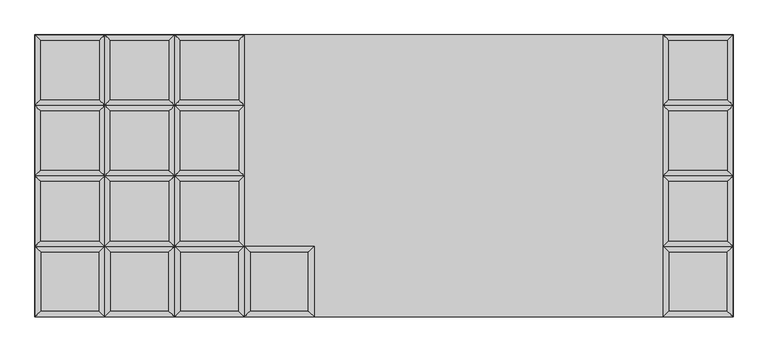
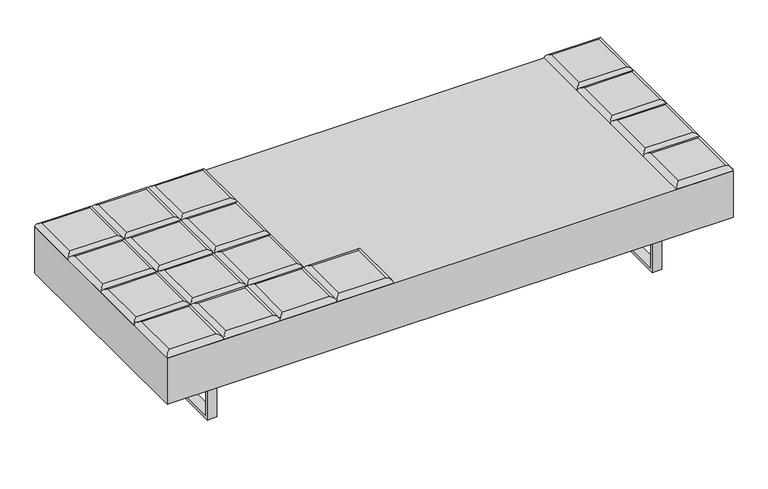
"""IFC4 building model written with IfcOpenShell, lengths in millimetres: furniture geometry."""

import ifcopenshell
import ifcopenshell.guid

model = None  # the IFC model being written
_history = None  # IfcOwnerHistory: only IFC2X3 demands one
_inside = {}  # id of a spatial element -> (the spatial element, [elements in it])
_under = {}  # id of a project, library or spatial element -> (it, [spatial elements below it])
_declared = {}  # id of a project -> (the project, [libraries it declares])
_typed = {}  # id of a type object -> (the type object, [elements of that type])
_made_of = {}  # id of a material, layer set ... -> (it, [elements and type objects made of it])


def new_model(schema):
    """Start an empty IFC model of exactly this schema.

    Asked for "IFC4X3", IfcOpenShell would pick the latest addendum, in which some entities
    have other attributes; the version numbers below select the first issue.
    IFC2X3 requires an IfcOwnerHistory on every rooted entity: one is made here for all.
    """
    global model, _history
    if schema == "IFC4X3":
        model = ifcopenshell.file(schema_version=(4, 3, 0, 0))
    else:
        model = ifcopenshell.file(schema=schema)
    _inside.clear()
    _under.clear()
    _declared.clear()
    _typed.clear()
    _made_of.clear()
    _history = None
    if model.schema == "IFC2X3":
        org = make("IfcOrganization", Name="unknown")
        user = make(
            "IfcPersonAndOrganization",
            ThePerson=make("IfcPerson", FamilyName="unknown"),
            TheOrganization=org,
        )
        app = make(
            "IfcApplication",
            ApplicationDeveloper=org,
            Version="unknown",
            ApplicationFullName="unknown",
            ApplicationIdentifier="unknown",
        )
        _history = make(
            "IfcOwnerHistory",
            OwningUser=user,
            OwningApplication=app,
            ChangeAction="ADDED",
            CreationDate=0,
        )
    return model


def make(cls, **values):
    """One entity of the class cls with the attributes given. An attribute that is None is left unset."""
    return model.create_entity(
        cls, **{name: value for name, value in values.items() if value is not None}
    )


def rooted(cls, **values):
    """An entity with a GlobalId (a new one), such as an element, a storey or a relation."""
    return make(cls, GlobalId=ifcopenshell.guid.new(), OwnerHistory=_history, **values)


def si_unit(unit_type, name, prefix=None):
    """IfcSIUnit, for example si_unit("LENGTHUNIT", "METRE", prefix="MILLI")."""
    return make("IfcSIUnit", UnitType=unit_type, Prefix=prefix, Name=name)


def assignment(units):
    """IfcUnitAssignment: the units of a project."""
    return None if units is None else make("IfcUnitAssignment", Units=units)


def point(xyz):
    """IfcCartesianPoint."""
    return None if xyz is None else make("IfcCartesianPoint", Coordinates=xyz)


def direction(xyz):
    """IfcDirection."""
    return None if xyz is None else make("IfcDirection", DirectionRatios=xyz)


def frame(location, z_axis=None, x_axis=None):
    """IfcAxis2Placement3D, a coordinate frame: its origin and axes. An axis left out is left unset."""
    return make(
        "IfcAxis2Placement3D",
        Location=point(location),
        Axis=direction(z_axis),
        RefDirection=direction(x_axis),
    )


def origin():
    """The frame at (0, 0, 0) with its axes left unset."""
    return frame((0.0, 0.0, 0.0))


def place(relative_to, where):
    """IfcLocalPlacement: puts the frame where relative to a parent placement (None: the world)."""
    return make(
        "IfcLocalPlacement", PlacementRelTo=relative_to, RelativePlacement=where
    )


def context(
    kind, dimensions, precision=None, world=None, true_north=None, identifier=None
):
    """IfcGeometricRepresentationContext, for example the 3D "Model" context."""
    return make(
        "IfcGeometricRepresentationContext",
        ContextIdentifier=identifier,
        ContextType=kind,
        CoordinateSpaceDimension=dimensions,
        Precision=precision,
        WorldCoordinateSystem=world,
        TrueNorth=true_north,
    )


def project(units=None, contexts=None):
    """IfcProject with its units and contexts."""
    return rooted(
        "IfcProject",
        Name="project",
        RepresentationContexts=contexts,
        UnitsInContext=assignment(units),
    )


def spatial(cls, under=None, at=None, **own):
    """A site, building, storey or space (cls), placed at a placement, below another one or the project."""
    s = rooted(cls, ObjectPlacement=at, **own)
    if under is not None:
        _under.setdefault(under.id(), (under, []))[1].append(s)
    return s


def polyline(points):
    """IfcPolyline through the points."""
    return make("IfcPolyline", Points=[point(p) for p in points])


def ellipse_curve(where, semi_axis1, semi_axis2):
    """IfcEllipse in the frame where."""
    return make(
        "IfcEllipse", Position=where, SemiAxis1=semi_axis1, SemiAxis2=semi_axis2
    )


def outline(outer, holes=None, kind="AREA"):
    """IfcArbitraryClosedProfileDef: a profile drawn as a closed curve; with holes, ...WithVoids."""
    if holes is None:
        return make("IfcArbitraryClosedProfileDef", ProfileType=kind, OuterCurve=outer)
    return make(
        "IfcArbitraryProfileDefWithVoids",
        ProfileType=kind,
        OuterCurve=outer,
        InnerCurves=holes,
    )


def extrude(swept, where, along, depth):
    """IfcExtrudedAreaSolid: the profile swept, set in the frame where, extruded along a direction by depth."""
    return make(
        "IfcExtrudedAreaSolid",
        SweptArea=swept,
        Position=where,
        ExtrudedDirection=direction(along),
        Depth=depth,
    )


def shape(context_of_items, identifier, shape_type, items):
    """IfcShapeRepresentation: the items that make up one representation, for example the "Body"."""
    return make(
        "IfcShapeRepresentation",
        ContextOfItems=context_of_items,
        RepresentationIdentifier=identifier,
        RepresentationType=shape_type,
        Items=items,
    )


def source(mapping_origin, context_of_items, identifier, shape_type, items):
    """IfcRepresentationMap: a shape defined once, which mapped items show again and again."""
    return make(
        "IfcRepresentationMap",
        MappingOrigin=mapping_origin,
        MappedRepresentation=shape(context_of_items, identifier, shape_type, items),
    )


def transform(
    local_origin,
    x_axis=None,
    y_axis=None,
    z_axis=None,
    scale=None,
    scale2=None,
    scale3=None,
    uniform=True,
):
    """IfcCartesianTransformationOperator3D, or its non-uniform kind. x_axis, y_axis, z_axis: its Axis1, 2, 3."""
    if uniform:
        return make(
            "IfcCartesianTransformationOperator3D",
            Axis1=direction(x_axis),
            Axis2=direction(y_axis),
            LocalOrigin=point(local_origin),
            Scale=scale,
            Axis3=direction(z_axis),
        )
    return make(
        "IfcCartesianTransformationOperator3DnonUniform",
        Axis1=direction(x_axis),
        Axis2=direction(y_axis),
        LocalOrigin=point(local_origin),
        Scale=scale,
        Axis3=direction(z_axis),
        Scale2=scale2,
        Scale3=scale3,
    )


def mapped(mapping_source, mapping_target):
    """IfcMappedItem: shows the shape of a source again, moved by a transform."""
    return make(
        "IfcMappedItem", MappingSource=mapping_source, MappingTarget=mapping_target
    )


def made_of(thing, what):
    """Note that an element or type object is made of a material, layer set ...; save() writes the relation."""
    if what is not None:
        _made_of.setdefault(what.id(), (what, []))[1].append(thing)
    return thing


def element(
    cls,
    number,
    at=None,
    inside=None,
    cuts=None,
    type_object=None,
    material=None,
    context=None,
    identifier="Body",
    shape_type=None,
    held_by="IfcProductDefinitionShape",
    body=None,
    shapes=None,
    **own,
):
    """One element of the class cls, such as IfcWall. Its Tag is "e" and its number.

    at: its placement. inside: the storey or other place that contains it. cuts: it is an
    opening in that element (IfcRelVoidsElement). A single representation is given by context,
    identifier, shape_type and body (its items); several are given by shapes. held_by: the class
    of the entity that holds the representations. save() writes the other relations.
    """
    e = rooted(cls, Tag="e%d" % number, ObjectPlacement=at, **own)
    if body is not None:
        shapes = [shape(context, identifier, shape_type, body)]
    if shapes is not None:
        e.Representation = make(held_by, Representations=shapes)
    if inside is not None:
        _inside.setdefault(inside.id(), (inside, []))[1].append(e)
    if cuts is not None:
        rooted(
            "IfcRelVoidsElement", RelatingBuildingElement=cuts, RelatedOpeningElement=e
        )
    if type_object is not None:
        _typed.setdefault(type_object.id(), (type_object, []))[1].append(e)
    return made_of(e, material)


def aggregate(whole, parts):
    """IfcRelAggregates: a whole, such as a stair, and the parts it consists of."""
    return rooted("IfcRelAggregates", RelatingObject=whole, RelatedObjects=parts)


def save(model, path):
    """Write the relations noted so far, then the file.

    IfcRelAggregates (storeys below a building ...), IfcRelContainedInSpatialStructure (elements
    in a storey), IfcRelDefinesByType, IfcRelAssociatesMaterial and IfcRelDeclares: one each for
    every whole, place, type object, material and project.
    """
    for whole, parts in _under.values():
        aggregate(whole, parts)
    for where, things in _inside.values():
        rooted(
            "IfcRelContainedInSpatialStructure",
            RelatedElements=things,
            RelatingStructure=where,
        )
    for kind, things in _typed.values():
        rooted("IfcRelDefinesByType", RelatedObjects=things, RelatingType=kind)
    for what, things in _made_of.values():
        rooted("IfcRelAssociatesMaterial", RelatedObjects=things, RelatingMaterial=what)
    for by, libraries in _declared.values():
        rooted("IfcRelDeclares", RelatingContext=by, RelatedDefinitions=libraries)
    model.write(path)


def plane_surface(at):
    """IfcPlane: the flat surface through the origin of the frame at, square to its z axis."""
    return make("IfcPlane", Position=at)


def cylinder_surface(at, radius):
    """IfcCylindricalSurface: all points at the distance radius from the z axis of the frame at."""
    return make("IfcCylindricalSurface", Position=at, Radius=radius)


def advanced_brep(points, edges, surfaces, faces):
    """IfcAdvancedBrep: a solid bounded by faces that lie on surfaces and meet in shared edges.

    An edge is (start, end): straight between two places in points (the first is 0);
    or (start, end, curve); or (start, end, curve, False) where it runs against its curve.
    A face is (place in surfaces, loops), or (place, loops, False) where it looks against
    its surface's normal. A loop lists edges by number (the first is 1), with a minus sign
    where the edge is run from its end to its start. The first loop is the outer one.
    """
    corners = [point(p) for p in points]
    vertices = [make("IfcVertexPoint", VertexGeometry=c) for c in corners]
    made = []
    for start, end, *more in edges:
        made.append(
            make(
                "IfcEdgeCurve",
                EdgeStart=vertices[start],
                EdgeEnd=vertices[end],
                EdgeGeometry=more[0] if more else make("IfcPolyline", Points=[corners[start], corners[end]]),
                SameSense=more[1] if len(more) > 1 else True,
            )
        )
    hull = []
    for where, loops, *sense in faces:
        bounds = []
        for j, loop in enumerate(loops):
            ring = [make("IfcOrientedEdge", EdgeElement=made[abs(k) - 1], Orientation=k > 0) for k in loop]
            bounds.append(
                make(
                    "IfcFaceOuterBound" if j == 0 else "IfcFaceBound",
                    Bound=make("IfcEdgeLoop", EdgeList=ring),
                    Orientation=True,
                )
            )
        hull.append(make("IfcAdvancedFace", Bounds=bounds, FaceSurface=surfaces[where], SameSense=sense[0] if sense else True))
    return make("IfcAdvancedBrep", Outer=make("IfcClosedShell", CfsFaces=hull))


def furniture_30826538(model_context):
    return source(origin(), model_context, "Body", "SolidModel", [
        advanced_brep(
        [(-219.71, -222.25, 393.7), (-237.6705122, -240.2105122, 411.6605122), (-237.6705122, -426.5394878, 411.6605122), (-219.71, -444.5, 393.7), (-421.4594878, -426.5394878, 411.6605122), (-439.42, -444.5, 393.7), (-421.4594878, -240.2105122, 411.6605122), (-439.42, -222.25, 393.7)],
        [
            (0, 1, ellipse_curve(frame((-237.6705122, -240.2105122, 393.7), z_axis=(0.7071067811865475, -0.7071067811865475, 0.0), x_axis=(0.7071067811865474, 0.7071067811865476, 0.0)), 25.4, 17.9605122)),
            (1, 2),
            (2, 3, ellipse_curve(frame((-237.6705122, -426.5394878, 393.7), z_axis=(0.7071067811865475, 0.7071067811865475, 0.0), x_axis=(-0.7071067811865474, 0.7071067811865476, 0.0)), 25.4, 17.9605122)),
            (3, 0),
            (2, 4),
            (4, 5, ellipse_curve(frame((-421.4594878, -426.5394878, 393.7), z_axis=(0.7071067811865475, -0.7071067811865475, 0.0), x_axis=(0.7071067811865476, 0.7071067811865474, 0.0)), 25.4, 17.9605122)),
            (5, 3),
            (4, 6),
            (6, 7, ellipse_curve(frame((-421.4594878, -240.2105122, 393.7), z_axis=(-0.7071067811865475, -0.7071067811865475, 0.0), x_axis=(0.7071067811865474, -0.7071067811865476, 0.0)), 25.4, 17.9605122)),
            (7, 5),
            (0, 7),
            (6, 1),
        ],
        [
            cylinder_surface(frame((-237.6705122, -222.25, 393.7), z_axis=(0.0, 1.0, 0.0), x_axis=(1.0, 0.0, 0.0)), 17.9605122),
            cylinder_surface(frame((-219.71, -426.5394878, 393.7), z_axis=(1.0, 0.0, 0.0), x_axis=(0.0, -1.0, 0.0)), 17.9605122),
            cylinder_surface(frame((-421.4594878, -444.5, 393.7), z_axis=(0.0, -1.0, 0.0), x_axis=(-1.0, 0.0, 0.0)), 17.9605122),
            cylinder_surface(frame((-439.42, -240.2105122, 393.7), z_axis=(-1.0, 0.0, 0.0), x_axis=(0.0, 1.0, 0.0)), 17.9605122),
            plane_surface(frame((-439.42, -222.25, 393.7), z_axis=(0.0, 0.0, -1.0), x_axis=(1.0, 0.0, 0.0))),
            plane_surface(frame((-421.4594878, -240.2105122, 411.6605122), z_axis=(0.0, 0.0, 1.0), x_axis=(-1.0, 0.0, 0.0))),
        ],
        [
            (0, [[1, 2, 3, 4]]),
            (1, [[-3, 5, 6, 7]]),
            (2, [[-6, 8, 9, 10]]),
            (3, [[-1, 11, -9, 12]]),
            (4, [[-4, -7, -10, -11]]),
            (5, [[-2, -12, -8, -5]]),
        ],
    ),
        advanced_brep(
        [(-457.3805122, -204.2894878, 411.6605122), (-457.3805122, -17.9605122, 411.6605122), (-641.1694878, -17.9605122, 411.6605122), (-641.1694878, -204.2894878, 411.6605122), (-439.42, 0.0, 393.7), (-439.42, -222.25, 393.7), (-659.13, -222.25, 393.7), (-659.13, 0.0, 393.7)],
        [
            (0, 1),
            (1, 2),
            (2, 3),
            (3, 0),
            (4, 5),
            (5, 6),
            (6, 7),
            (7, 4),
            (4, 1, ellipse_curve(frame((-457.3805122, -17.9605122, 393.7), z_axis=(0.7071067811865475, -0.7071067811865475, 0.0), x_axis=(0.7071067811865474, 0.7071067811865476, 0.0)), 25.4, 17.9605122)),
            (0, 5, ellipse_curve(frame((-457.3805122, -204.2894878, 393.7), z_axis=(0.7071067811865475, 0.7071067811865475, 0.0), x_axis=(-0.7071067811865474, 0.7071067811865476, 0.0)), 25.4, 17.9605122)),
            (3, 6, ellipse_curve(frame((-641.1694878, -204.2894878, 393.7), z_axis=(0.7071067811865475, -0.7071067811865475, 0.0), x_axis=(0.7071067811865476, 0.7071067811865474, 0.0)), 25.4, 17.9605122)),
            (2, 7, ellipse_curve(frame((-641.1694878, -17.9605122, 393.7), z_axis=(-0.7071067811865475, -0.7071067811865475, 0.0), x_axis=(0.7071067811865474, -0.7071067811865476, 0.0)), 25.4, 17.9605122)),
        ],
        [
            plane_surface(frame((-641.1694878, -17.9605122, 411.6605122), z_axis=(0.0, 0.0, 1.0), x_axis=(-1.0, 0.0, 0.0))),
            plane_surface(frame((-641.1694878, -17.9605122, 393.7), z_axis=(0.0, 0.0, -1.0), x_axis=(1.0, 0.0, 0.0))),
            cylinder_surface(frame((-457.3805122, 0.0, 393.7), z_axis=(0.0, 1.0, 0.0), x_axis=(1.0, 0.0, 0.0)), 17.9605122),
            cylinder_surface(frame((-439.42, -204.2894878, 393.7), z_axis=(1.0, 0.0, 0.0), x_axis=(0.0, -1.0, 0.0)), 17.9605122),
            cylinder_surface(frame((-641.1694878, -222.25, 393.7), z_axis=(0.0, -1.0, 0.0), x_axis=(-1.0, 0.0, 0.0)), 17.9605122),
            cylinder_surface(frame((-659.13, -17.9605122, 393.7), z_axis=(-1.0, 0.0, 0.0), x_axis=(0.0, 1.0, 0.0)), 17.9605122),
        ],
        [
            (0, [[1, 2, 3, 4]]),
            (1, [[5, 6, 7, 8]]),
            (2, [[9, -1, 10, -5]]),
            (3, [[-10, -4, 11, -6]]),
            (4, [[-11, -3, 12, -7]]),
            (5, [[-9, -8, -12, -2]]),
        ],
    ),
        advanced_brep(
        [(-457.3805122, 17.9605122, 411.6605122), (-457.3805122, 204.2894878, 411.6605122), (-641.1694878, 204.2894878, 411.6605122), (-641.1694878, 17.9605122, 411.6605122), (-439.42, 222.25, 393.7), (-439.42, 0.0, 393.7), (-659.13, 0.0, 393.7), (-659.13, 222.25, 393.7)],
        [
            (0, 1),
            (1, 2),
            (2, 3),
            (3, 0),
            (4, 5),
            (5, 6),
            (6, 7),
            (7, 4),
            (4, 1, ellipse_curve(frame((-457.3805122, 204.2894878, 393.7), z_axis=(0.7071067811865475, -0.7071067811865475, 0.0), x_axis=(0.7071067811865474, 0.7071067811865476, 0.0)), 25.4, 17.9605122)),
            (0, 5, ellipse_curve(frame((-457.3805122, 17.9605122, 393.7), z_axis=(0.7071067811865475, 0.7071067811865475, 0.0), x_axis=(-0.7071067811865474, 0.7071067811865476, 0.0)), 25.4, 17.9605122)),
            (3, 6, ellipse_curve(frame((-641.1694878, 17.9605122, 393.7), z_axis=(0.7071067811865475, -0.7071067811865475, 0.0), x_axis=(0.7071067811865476, 0.7071067811865474, 0.0)), 25.4, 17.9605122)),
            (2, 7, ellipse_curve(frame((-641.1694878, 204.2894878, 393.7), z_axis=(-0.7071067811865475, -0.7071067811865475, 0.0), x_axis=(0.7071067811865474, -0.7071067811865476, 0.0)), 25.4, 17.9605122)),
        ],
        [
            plane_surface(frame((-641.1694878, 204.2894878, 411.6605122), z_axis=(0.0, 0.0, 1.0), x_axis=(-1.0, 0.0, 0.0))),
            plane_surface(frame((-641.1694878, 204.2894878, 393.7), z_axis=(0.0, 0.0, -1.0), x_axis=(1.0, 0.0, 0.0))),
            cylinder_surface(frame((-457.3805122, 222.25, 393.7), z_axis=(0.0, 1.0, 0.0), x_axis=(1.0, 0.0, 0.0)), 17.9605122),
            cylinder_surface(frame((-439.42, 17.9605122, 393.7), z_axis=(1.0, 0.0, 0.0), x_axis=(0.0, -1.0, 0.0)), 17.9605122),
            cylinder_surface(frame((-641.1694878, 0.0, 393.7), z_axis=(0.0, -1.0, 0.0), x_axis=(-1.0, 0.0, 0.0)), 17.9605122),
            cylinder_surface(frame((-659.13, 204.2894878, 393.7), z_axis=(-1.0, 0.0, 0.0), x_axis=(0.0, 1.0, 0.0)), 17.9605122),
        ],
        [
            (0, [[1, 2, 3, 4]]),
            (1, [[5, 6, 7, 8]]),
            (2, [[9, -1, 10, -5]]),
            (3, [[-10, -4, 11, -6]]),
            (4, [[-11, -3, 12, -7]]),
            (5, [[-9, -8, -12, -2]]),
        ],
    ),
        advanced_brep(
        [(-457.3805122, 240.2105122, 411.6605122), (-457.3805122, 426.5394878, 411.6605122), (-641.1694878, 426.5394878, 411.6605122), (-641.1694878, 240.2105122, 411.6605122), (-439.42, 444.5, 393.7), (-439.42, 222.25, 393.7), (-659.13, 222.25, 393.7), (-659.13, 444.5, 393.7)],
        [
            (0, 1),
            (1, 2),
            (2, 3),
            (3, 0),
            (4, 5),
            (5, 6),
            (6, 7),
            (7, 4),
            (4, 1, ellipse_curve(frame((-457.3805122, 426.5394878, 393.7), z_axis=(0.7071067811865475, -0.7071067811865475, 0.0), x_axis=(0.7071067811865474, 0.7071067811865476, 0.0)), 25.4, 17.9605122)),
            (0, 5, ellipse_curve(frame((-457.3805122, 240.2105122, 393.7), z_axis=(0.7071067811865475, 0.7071067811865475, 0.0), x_axis=(-0.7071067811865474, 0.7071067811865476, 0.0)), 25.4, 17.9605122)),
            (3, 6, ellipse_curve(frame((-641.1694878, 240.2105122, 393.7), z_axis=(0.7071067811865475, -0.7071067811865475, 0.0), x_axis=(0.7071067811865476, 0.7071067811865474, 0.0)), 25.4, 17.9605122)),
            (2, 7, ellipse_curve(frame((-641.1694878, 426.5394878, 393.7), z_axis=(-0.7071067811865475, -0.7071067811865475, 0.0), x_axis=(0.7071067811865474, -0.7071067811865476, 0.0)), 25.4, 17.9605122)),
        ],
        [
            plane_surface(frame((-641.1694878, 426.5394878, 411.6605122), z_axis=(0.0, 0.0, 1.0), x_axis=(-1.0, 0.0, 0.0))),
            plane_surface(frame((-641.1694878, 426.5394878, 393.7), z_axis=(0.0, 0.0, -1.0), x_axis=(1.0, 0.0, 0.0))),
            cylinder_surface(frame((-457.3805122, 444.5, 393.7), z_axis=(0.0, 1.0, 0.0), x_axis=(1.0, 0.0, 0.0)), 17.9605122),
            cylinder_surface(frame((-439.42, 240.2105122, 393.7), z_axis=(1.0, 0.0, 0.0), x_axis=(0.0, -1.0, 0.0)), 17.9605122),
            cylinder_surface(frame((-641.1694878, 222.25, 393.7), z_axis=(0.0, -1.0, 0.0), x_axis=(-1.0, 0.0, 0.0)), 17.9605122),
            cylinder_surface(frame((-659.13, 426.5394878, 393.7), z_axis=(-1.0, 0.0, 0.0), x_axis=(0.0, 1.0, 0.0)), 17.9605122),
        ],
        [
            (0, [[1, 2, 3, 4]]),
            (1, [[5, 6, 7, 8]]),
            (2, [[9, -1, 10, -5]]),
            (3, [[-10, -4, 11, -6]]),
            (4, [[-11, -3, 12, -7]]),
            (5, [[-9, -8, -12, -2]]),
        ],
    ),
        advanced_brep(
        [(-439.42, -222.25, 393.7), (-457.3805122, -240.2105122, 411.6605122), (-457.3805122, -426.5394878, 411.6605122), (-439.42, -444.5, 393.7), (-641.1694878, -426.5394878, 411.6605122), (-659.13, -444.5, 393.7), (-641.1694878, -240.2105122, 411.6605122), (-659.13, -222.25, 393.7)],
        [
            (0, 1, ellipse_curve(frame((-457.3805122, -240.2105122, 393.7), z_axis=(0.7071067811865475, -0.7071067811865475, 0.0), x_axis=(0.7071067811865474, 0.7071067811865476, 0.0)), 25.4, 17.9605122)),
            (1, 2),
            (2, 3, ellipse_curve(frame((-457.3805122, -426.5394878, 393.7), z_axis=(0.7071067811865475, 0.7071067811865475, 0.0), x_axis=(-0.7071067811865474, 0.7071067811865476, 0.0)), 25.4, 17.9605122)),
            (3, 0),
            (2, 4),
            (4, 5, ellipse_curve(frame((-641.1694878, -426.5394878, 393.7), z_axis=(0.7071067811865475, -0.7071067811865475, 0.0), x_axis=(0.7071067811865476, 0.7071067811865474, 0.0)), 25.4, 17.9605122)),
            (5, 3),
            (4, 6),
            (6, 7, ellipse_curve(frame((-641.1694878, -240.2105122, 393.7), z_axis=(-0.7071067811865475, -0.7071067811865475, 0.0), x_axis=(0.7071067811865474, -0.7071067811865476, 0.0)), 25.4, 17.9605122)),
            (7, 5),
            (0, 7),
            (6, 1),
        ],
        [
            cylinder_surface(frame((-457.3805122, -222.25, 393.7), z_axis=(0.0, 1.0, 0.0), x_axis=(1.0, 0.0, 0.0)), 17.9605122),
            cylinder_surface(frame((-439.42, -426.5394878, 393.7), z_axis=(1.0, 0.0, 0.0), x_axis=(0.0, -1.0, 0.0)), 17.9605122),
            cylinder_surface(frame((-641.1694878, -444.5, 393.7), z_axis=(0.0, -1.0, 0.0), x_axis=(-1.0, 0.0, 0.0)), 17.9605122),
            cylinder_surface(frame((-659.13, -240.2105122, 393.7), z_axis=(-1.0, 0.0, 0.0), x_axis=(0.0, 1.0, 0.0)), 17.9605122),
            plane_surface(frame((-659.13, -222.25, 393.7), z_axis=(0.0, 0.0, -1.0), x_axis=(1.0, 0.0, 0.0))),
            plane_surface(frame((-641.1694878, -240.2105122, 411.6605122), z_axis=(0.0, 0.0, 1.0), x_axis=(-1.0, 0.0, 0.0))),
        ],
        [
            (0, [[1, 2, 3, 4]]),
            (1, [[-3, 5, 6, 7]]),
            (2, [[-6, 8, 9, 10]]),
            (3, [[-1, 11, -9, 12]]),
            (4, [[-4, -7, -10, -11]]),
            (5, [[-2, -12, -8, -5]]),
        ],
    ),
        advanced_brep(
        [(-677.0905122, -204.2894878, 411.6605122), (-677.0905122, -17.9605122, 411.6605122), (-860.8794878, -17.9605122, 411.6605122), (-860.8794878, -204.2894878, 411.6605122), (-659.13, 0.0, 393.7), (-659.13, -222.25, 393.7), (-878.84, -222.25, 393.7), (-878.84, 0.0, 393.7)],
        [
            (0, 1),
            (1, 2),
            (2, 3),
            (3, 0),
            (4, 5),
            (5, 6),
            (6, 7),
            (7, 4),
            (4, 1, ellipse_curve(frame((-677.0905122, -17.9605122, 393.7), z_axis=(0.7071067811865475, -0.7071067811865475, 0.0), x_axis=(0.7071067811865474, 0.7071067811865476, 0.0)), 25.4, 17.9605122)),
            (0, 5, ellipse_curve(frame((-677.0905122, -204.2894878, 393.7), z_axis=(0.7071067811865475, 0.7071067811865475, 0.0), x_axis=(-0.7071067811865474, 0.7071067811865476, 0.0)), 25.4, 17.9605122)),
            (3, 6, ellipse_curve(frame((-860.8794878, -204.2894878, 393.7), z_axis=(0.7071067811865475, -0.7071067811865475, 0.0), x_axis=(0.7071067811865476, 0.7071067811865474, 0.0)), 25.4, 17.9605122)),
            (2, 7, ellipse_curve(frame((-860.8794878, -17.9605122, 393.7), z_axis=(-0.7071067811865475, -0.7071067811865475, 0.0), x_axis=(0.7071067811865474, -0.7071067811865476, 0.0)), 25.4, 17.9605122)),
        ],
        [
            plane_surface(frame((-860.8794878, -17.9605122, 411.6605122), z_axis=(0.0, 0.0, 1.0), x_axis=(-1.0, 0.0, 0.0))),
            plane_surface(frame((-860.8794878, -17.9605122, 393.7), z_axis=(0.0, 0.0, -1.0), x_axis=(1.0, 0.0, 0.0))),
            cylinder_surface(frame((-677.0905122, 0.0, 393.7), z_axis=(0.0, 1.0, 0.0), x_axis=(1.0, 0.0, 0.0)), 17.9605122),
            cylinder_surface(frame((-659.13, -204.2894878, 393.7), z_axis=(1.0, 0.0, 0.0), x_axis=(0.0, -1.0, 0.0)), 17.9605122),
            cylinder_surface(frame((-860.8794878, -222.25, 393.7), z_axis=(0.0, -1.0, 0.0), x_axis=(-1.0, 0.0, 0.0)), 17.9605122),
            cylinder_surface(frame((-878.84, -17.9605122, 393.7), z_axis=(-1.0, 0.0, 0.0), x_axis=(0.0, 1.0, 0.0)), 17.9605122),
        ],
        [
            (0, [[1, 2, 3, 4]]),
            (1, [[5, 6, 7, 8]]),
            (2, [[9, -1, 10, -5]]),
            (3, [[-10, -4, 11, -6]]),
            (4, [[-11, -3, 12, -7]]),
            (5, [[-9, -8, -12, -2]]),
        ],
    ),
        advanced_brep(
        [(-677.0905122, 17.9605122, 411.6605122), (-677.0905122, 204.2894878, 411.6605122), (-860.8794878, 204.2894878, 411.6605122), (-860.8794878, 17.9605122, 411.6605122), (-659.13, 222.25, 393.7), (-659.13, 0.0, 393.7), (-878.84, 0.0, 393.7), (-878.84, 222.25, 393.7)],
        [
            (0, 1),
            (1, 2),
            (2, 3),
            (3, 0),
            (4, 5),
            (5, 6),
            (6, 7),
            (7, 4),
            (4, 1, ellipse_curve(frame((-677.0905122, 204.2894878, 393.7), z_axis=(0.7071067811865475, -0.7071067811865475, 0.0), x_axis=(0.7071067811865474, 0.7071067811865476, 0.0)), 25.4, 17.9605122)),
            (0, 5, ellipse_curve(frame((-677.0905122, 17.9605122, 393.7), z_axis=(0.7071067811865475, 0.7071067811865475, 0.0), x_axis=(-0.7071067811865474, 0.7071067811865476, 0.0)), 25.4, 17.9605122)),
            (3, 6, ellipse_curve(frame((-860.8794878, 17.9605122, 393.7), z_axis=(0.7071067811865475, -0.7071067811865475, 0.0), x_axis=(0.7071067811865476, 0.7071067811865474, 0.0)), 25.4, 17.9605122)),
            (2, 7, ellipse_curve(frame((-860.8794878, 204.2894878, 393.7), z_axis=(-0.7071067811865475, -0.7071067811865475, 0.0), x_axis=(0.7071067811865474, -0.7071067811865476, 0.0)), 25.4, 17.9605122)),
        ],
        [
            plane_surface(frame((-860.8794878, 204.2894878, 411.6605122), z_axis=(0.0, 0.0, 1.0), x_axis=(-1.0, 0.0, 0.0))),
            plane_surface(frame((-860.8794878, 204.2894878, 393.7), z_axis=(0.0, 0.0, -1.0), x_axis=(1.0, 0.0, 0.0))),
            cylinder_surface(frame((-677.0905122, 222.25, 393.7), z_axis=(0.0, 1.0, 0.0), x_axis=(1.0, 0.0, 0.0)), 17.9605122),
            cylinder_surface(frame((-659.13, 17.9605122, 393.7), z_axis=(1.0, 0.0, 0.0), x_axis=(0.0, -1.0, 0.0)), 17.9605122),
            cylinder_surface(frame((-860.8794878, 0.0, 393.7), z_axis=(0.0, -1.0, 0.0), x_axis=(-1.0, 0.0, 0.0)), 17.9605122),
            cylinder_surface(frame((-878.84, 204.2894878, 393.7), z_axis=(-1.0, 0.0, 0.0), x_axis=(0.0, 1.0, 0.0)), 17.9605122),
        ],
        [
            (0, [[1, 2, 3, 4]]),
            (1, [[5, 6, 7, 8]]),
            (2, [[9, -1, 10, -5]]),
            (3, [[-10, -4, 11, -6]]),
            (4, [[-11, -3, 12, -7]]),
            (5, [[-9, -8, -12, -2]]),
        ],
    ),
        advanced_brep(
        [(-677.0905122, 240.2105122, 411.6605122), (-677.0905122, 426.5394878, 411.6605122), (-860.8794878, 426.5394878, 411.6605122), (-860.8794878, 240.2105122, 411.6605122), (-659.13, 444.5, 393.7), (-659.13, 222.25, 393.7), (-878.84, 222.25, 393.7), (-878.84, 444.5, 393.7)],
        [
            (0, 1),
            (1, 2),
            (2, 3),
            (3, 0),
            (4, 5),
            (5, 6),
            (6, 7),
            (7, 4),
            (4, 1, ellipse_curve(frame((-677.0905122, 426.5394878, 393.7), z_axis=(0.7071067811865475, -0.7071067811865475, 0.0), x_axis=(0.7071067811865474, 0.7071067811865476, 0.0)), 25.4, 17.9605122)),
            (0, 5, ellipse_curve(frame((-677.0905122, 240.2105122, 393.7), z_axis=(0.7071067811865475, 0.7071067811865475, 0.0), x_axis=(-0.7071067811865474, 0.7071067811865476, 0.0)), 25.4, 17.9605122)),
            (3, 6, ellipse_curve(frame((-860.8794878, 240.2105122, 393.7), z_axis=(0.7071067811865475, -0.7071067811865475, 0.0), x_axis=(0.7071067811865476, 0.7071067811865474, 0.0)), 25.4, 17.9605122)),
            (2, 7, ellipse_curve(frame((-860.8794878, 426.5394878, 393.7), z_axis=(-0.7071067811865475, -0.7071067811865475, 0.0), x_axis=(0.7071067811865474, -0.7071067811865476, 0.0)), 25.4, 17.9605122)),
        ],
        [
            plane_surface(frame((-860.8794878, 426.5394878, 411.6605122), z_axis=(0.0, 0.0, 1.0), x_axis=(-1.0, 0.0, 0.0))),
            plane_surface(frame((-860.8794878, 426.5394878, 393.7), z_axis=(0.0, 0.0, -1.0), x_axis=(1.0, 0.0, 0.0))),
            cylinder_surface(frame((-677.0905122, 444.5, 393.7), z_axis=(0.0, 1.0, 0.0), x_axis=(1.0, 0.0, 0.0)), 17.9605122),
            cylinder_surface(frame((-659.13, 240.2105122, 393.7), z_axis=(1.0, 0.0, 0.0), x_axis=(0.0, -1.0, 0.0)), 17.9605122),
            cylinder_surface(frame((-860.8794878, 222.25, 393.7), z_axis=(0.0, -1.0, 0.0), x_axis=(-1.0, 0.0, 0.0)), 17.9605122),
            cylinder_surface(frame((-878.84, 426.5394878, 393.7), z_axis=(-1.0, 0.0, 0.0), x_axis=(0.0, 1.0, 0.0)), 17.9605122),
        ],
        [
            (0, [[1, 2, 3, 4]]),
            (1, [[5, 6, 7, 8]]),
            (2, [[9, -1, 10, -5]]),
            (3, [[-10, -4, 11, -6]]),
            (4, [[-11, -3, 12, -7]]),
            (5, [[-9, -8, -12, -2]]),
        ],
    ),
        advanced_brep(
        [(-659.13, -222.25, 393.7), (-677.0905122, -240.2105122, 411.6605122), (-677.0905122, -426.5394878, 411.6605122), (-659.13, -444.5, 393.7), (-860.8794878, -426.5394878, 411.6605122), (-878.84, -444.5, 393.7), (-860.8794878, -240.2105122, 411.6605122), (-878.84, -222.25, 393.7)],
        [
            (0, 1, ellipse_curve(frame((-677.0905122, -240.2105122, 393.7), z_axis=(0.7071067811865475, -0.7071067811865475, 0.0), x_axis=(0.7071067811865474, 0.7071067811865476, 0.0)), 25.4, 17.9605122)),
            (1, 2),
            (2, 3, ellipse_curve(frame((-677.0905122, -426.5394878, 393.7), z_axis=(0.7071067811865475, 0.7071067811865475, 0.0), x_axis=(-0.7071067811865474, 0.7071067811865476, 0.0)), 25.4, 17.9605122)),
            (3, 0),
            (2, 4),
            (4, 5, ellipse_curve(frame((-860.8794878, -426.5394878, 393.7), z_axis=(0.7071067811865475, -0.7071067811865475, 0.0), x_axis=(0.7071067811865476, 0.7071067811865474, 0.0)), 25.4, 17.9605122)),
            (5, 3),
            (4, 6),
            (6, 7, ellipse_curve(frame((-860.8794878, -240.2105122, 393.7), z_axis=(-0.7071067811865475, -0.7071067811865475, 0.0), x_axis=(0.7071067811865474, -0.7071067811865476, 0.0)), 25.4, 17.9605122)),
            (7, 5),
            (0, 7),
            (6, 1),
        ],
        [
            cylinder_surface(frame((-677.0905122, -222.25, 393.7), z_axis=(0.0, 1.0, 0.0), x_axis=(1.0, 0.0, 0.0)), 17.9605122),
            cylinder_surface(frame((-659.13, -426.5394878, 393.7), z_axis=(1.0, 0.0, 0.0), x_axis=(0.0, -1.0, 0.0)), 17.9605122),
            cylinder_surface(frame((-860.8794878, -444.5, 393.7), z_axis=(0.0, -1.0, 0.0), x_axis=(-1.0, 0.0, 0.0)), 17.9605122),
            cylinder_surface(frame((-878.84, -240.2105122, 393.7), z_axis=(-1.0, 0.0, 0.0), x_axis=(0.0, 1.0, 0.0)), 17.9605122),
            plane_surface(frame((-878.84, -222.25, 393.7), z_axis=(0.0, 0.0, -1.0), x_axis=(1.0, 0.0, 0.0))),
            plane_surface(frame((-860.8794878, -240.2105122, 411.6605122), z_axis=(0.0, 0.0, 1.0), x_axis=(-1.0, 0.0, 0.0))),
        ],
        [
            (0, [[1, 2, 3, 4]]),
            (1, [[-3, 5, 6, 7]]),
            (2, [[-6, 8, 9, 10]]),
            (3, [[-1, 11, -9, 12]]),
            (4, [[-4, -7, -10, -11]]),
            (5, [[-2, -12, -8, -5]]),
        ],
    ),
        advanced_brep(
        [(1080.5894878, -204.2894878, 411.6605122), (1080.5894878, -17.9605122, 411.6605122), (896.8005122, -17.9605122, 411.6605122), (896.8005122, -204.2894878, 411.6605122), (1098.55, 0.0, 393.7), (1098.55, -222.25, 393.7), (878.84, -222.25, 393.7), (878.84, 0.0, 393.7)],
        [
            (0, 1),
            (1, 2),
            (2, 3),
            (3, 0),
            (4, 5),
            (5, 6),
            (6, 7),
            (7, 4),
            (4, 1, ellipse_curve(frame((1080.5894878, -17.9605122, 393.7), z_axis=(0.7071067811865475, -0.7071067811865475, 0.0), x_axis=(0.7071067811865474, 0.7071067811865476, 0.0)), 25.4, 17.9605122)),
            (0, 5, ellipse_curve(frame((1080.5894878, -204.2894878, 393.7), z_axis=(0.7071067811865475, 0.7071067811865475, 0.0), x_axis=(-0.7071067811865474, 0.7071067811865476, 0.0)), 25.4, 17.9605122)),
            (3, 6, ellipse_curve(frame((896.8005122, -204.2894878, 393.7), z_axis=(0.7071067811865475, -0.7071067811865475, 0.0), x_axis=(0.7071067811865476, 0.7071067811865474, 0.0)), 25.4, 17.9605122)),
            (2, 7, ellipse_curve(frame((896.8005122, -17.9605122, 393.7), z_axis=(-0.7071067811865475, -0.7071067811865475, 0.0), x_axis=(0.7071067811865474, -0.7071067811865476, 0.0)), 25.4, 17.9605122)),
        ],
        [
            plane_surface(frame((896.8005122, -17.9605122, 411.6605122), z_axis=(0.0, 0.0, 1.0), x_axis=(-1.0, 0.0, 0.0))),
            plane_surface(frame((896.8005122, -17.9605122, 393.7), z_axis=(0.0, 0.0, -1.0), x_axis=(1.0, 0.0, 0.0))),
            cylinder_surface(frame((1080.5894878, 0.0, 393.7), z_axis=(0.0, 1.0, 0.0), x_axis=(1.0, 0.0, 0.0)), 17.9605122),
            cylinder_surface(frame((1098.55, -204.2894878, 393.7), z_axis=(1.0, 0.0, 0.0), x_axis=(0.0, -1.0, 0.0)), 17.9605122),
            cylinder_surface(frame((896.8005122, -222.25, 393.7), z_axis=(0.0, -1.0, 0.0), x_axis=(-1.0, 0.0, 0.0)), 17.9605122),
            cylinder_surface(frame((878.84, -17.9605122, 393.7), z_axis=(-1.0, 0.0, 0.0), x_axis=(0.0, 1.0, 0.0)), 17.9605122),
        ],
        [
            (0, [[1, 2, 3, 4]]),
            (1, [[5, 6, 7, 8]]),
            (2, [[9, -1, 10, -5]]),
            (3, [[-10, -4, 11, -6]]),
            (4, [[-11, -3, 12, -7]]),
            (5, [[-9, -8, -12, -2]]),
        ],
    ),
        advanced_brep(
        [(1080.5894878, 17.9605122, 411.6605122), (1080.5894878, 204.2894878, 411.6605122), (896.8005122, 204.2894878, 411.6605122), (896.8005122, 17.9605122, 411.6605122), (1098.55, 222.25, 393.7), (1098.55, 0.0, 393.7), (878.84, 0.0, 393.7), (878.84, 222.25, 393.7)],
        [
            (0, 1),
            (1, 2),
            (2, 3),
            (3, 0),
            (4, 5),
            (5, 6),
            (6, 7),
            (7, 4),
            (4, 1, ellipse_curve(frame((1080.5894878, 204.2894878, 393.7), z_axis=(0.7071067811865475, -0.7071067811865475, 0.0), x_axis=(0.7071067811865474, 0.7071067811865476, 0.0)), 25.4, 17.9605122)),
            (0, 5, ellipse_curve(frame((1080.5894878, 17.9605122, 393.7), z_axis=(0.7071067811865475, 0.7071067811865475, 0.0), x_axis=(-0.7071067811865474, 0.7071067811865476, 0.0)), 25.4, 17.9605122)),
            (3, 6, ellipse_curve(frame((896.8005122, 17.9605122, 393.7), z_axis=(0.7071067811865475, -0.7071067811865475, 0.0), x_axis=(0.7071067811865476, 0.7071067811865474, 0.0)), 25.4, 17.9605122)),
            (2, 7, ellipse_curve(frame((896.8005122, 204.2894878, 393.7), z_axis=(-0.7071067811865475, -0.7071067811865475, 0.0), x_axis=(0.7071067811865474, -0.7071067811865476, 0.0)), 25.4, 17.9605122)),
        ],
        [
            plane_surface(frame((896.8005122, 204.2894878, 411.6605122), z_axis=(0.0, 0.0, 1.0), x_axis=(-1.0, 0.0, 0.0))),
            plane_surface(frame((896.8005122, 204.2894878, 393.7), z_axis=(0.0, 0.0, -1.0), x_axis=(1.0, 0.0, 0.0))),
            cylinder_surface(frame((1080.5894878, 222.25, 393.7), z_axis=(0.0, 1.0, 0.0), x_axis=(1.0, 0.0, 0.0)), 17.9605122),
            cylinder_surface(frame((1098.55, 17.9605122, 393.7), z_axis=(1.0, 0.0, 0.0), x_axis=(0.0, -1.0, 0.0)), 17.9605122),
            cylinder_surface(frame((896.8005122, 0.0, 393.7), z_axis=(0.0, -1.0, 0.0), x_axis=(-1.0, 0.0, 0.0)), 17.9605122),
            cylinder_surface(frame((878.84, 204.2894878, 393.7), z_axis=(-1.0, 0.0, 0.0), x_axis=(0.0, 1.0, 0.0)), 17.9605122),
        ],
        [
            (0, [[1, 2, 3, 4]]),
            (1, [[5, 6, 7, 8]]),
            (2, [[9, -1, 10, -5]]),
            (3, [[-10, -4, 11, -6]]),
            (4, [[-11, -3, 12, -7]]),
            (5, [[-9, -8, -12, -2]]),
        ],
    ),
        advanced_brep(
        [(1080.5894878, 240.2105122, 411.6605122), (1080.5894878, 426.5394878, 411.6605122), (896.8005122, 426.5394878, 411.6605122), (896.8005122, 240.2105122, 411.6605122), (1098.55, 444.5, 393.7), (1098.55, 222.25, 393.7), (878.84, 222.25, 393.7), (878.84, 444.5, 393.7)],
        [
            (0, 1),
            (1, 2),
            (2, 3),
            (3, 0),
            (4, 5),
            (5, 6),
            (6, 7),
            (7, 4),
            (4, 1, ellipse_curve(frame((1080.5894878, 426.5394878, 393.7), z_axis=(0.7071067811865475, -0.7071067811865475, 0.0), x_axis=(0.7071067811865474, 0.7071067811865476, 0.0)), 25.4, 17.9605122)),
            (0, 5, ellipse_curve(frame((1080.5894878, 240.2105122, 393.7), z_axis=(0.7071067811865475, 0.7071067811865475, 0.0), x_axis=(-0.7071067811865474, 0.7071067811865476, 0.0)), 25.4, 17.9605122)),
            (3, 6, ellipse_curve(frame((896.8005122, 240.2105122, 393.7), z_axis=(0.7071067811865475, -0.7071067811865475, 0.0), x_axis=(0.7071067811865476, 0.7071067811865474, 0.0)), 25.4, 17.9605122)),
            (2, 7, ellipse_curve(frame((896.8005122, 426.5394878, 393.7), z_axis=(-0.7071067811865475, -0.7071067811865475, 0.0), x_axis=(0.7071067811865474, -0.7071067811865476, 0.0)), 25.4, 17.9605122)),
        ],
        [
            plane_surface(frame((896.8005122, 426.5394878, 411.6605122), z_axis=(0.0, 0.0, 1.0), x_axis=(-1.0, 0.0, 0.0))),
            plane_surface(frame((896.8005122, 426.5394878, 393.7), z_axis=(0.0, 0.0, -1.0), x_axis=(1.0, 0.0, 0.0))),
            cylinder_surface(frame((1080.5894878, 444.5, 393.7), z_axis=(0.0, 1.0, 0.0), x_axis=(1.0, 0.0, 0.0)), 17.9605122),
            cylinder_surface(frame((1098.55, 240.2105122, 393.7), z_axis=(1.0, 0.0, 0.0), x_axis=(0.0, -1.0, 0.0)), 17.9605122),
            cylinder_surface(frame((896.8005122, 222.25, 393.7), z_axis=(0.0, -1.0, 0.0), x_axis=(-1.0, 0.0, 0.0)), 17.9605122),
            cylinder_surface(frame((878.84, 426.5394878, 393.7), z_axis=(-1.0, 0.0, 0.0), x_axis=(0.0, 1.0, 0.0)), 17.9605122),
        ],
        [
            (0, [[1, 2, 3, 4]]),
            (1, [[5, 6, 7, 8]]),
            (2, [[9, -1, 10, -5]]),
            (3, [[-10, -4, 11, -6]]),
            (4, [[-11, -3, 12, -7]]),
            (5, [[-9, -8, -12, -2]]),
        ],
    ),
        advanced_brep(
        [(1098.55, -222.25, 393.7), (1080.5894878, -240.2105122, 411.6605122), (1080.5894878, -426.5394878, 411.6605122), (1098.55, -444.5, 393.7), (896.8005122, -426.5394878, 411.6605122), (878.84, -444.5, 393.7), (896.8005122, -240.2105122, 411.6605122), (878.84, -222.25, 393.7)],
        [
            (0, 1, ellipse_curve(frame((1080.5894878, -240.2105122, 393.7), z_axis=(0.7071067811865475, -0.7071067811865475, 0.0), x_axis=(0.7071067811865474, 0.7071067811865476, 0.0)), 25.4, 17.9605122)),
            (1, 2),
            (2, 3, ellipse_curve(frame((1080.5894878, -426.5394878, 393.7), z_axis=(0.7071067811865475, 0.7071067811865475, 0.0), x_axis=(-0.7071067811865474, 0.7071067811865476, 0.0)), 25.4, 17.9605122)),
            (3, 0),
            (2, 4),
            (4, 5, ellipse_curve(frame((896.8005122, -426.5394878, 393.7), z_axis=(0.7071067811865475, -0.7071067811865475, 0.0), x_axis=(0.7071067811865476, 0.7071067811865474, 0.0)), 25.4, 17.9605122)),
            (5, 3),
            (4, 6),
            (6, 7, ellipse_curve(frame((896.8005122, -240.2105122, 393.7), z_axis=(-0.7071067811865475, -0.7071067811865475, 0.0), x_axis=(0.7071067811865474, -0.7071067811865476, 0.0)), 25.4, 17.9605122)),
            (7, 5),
            (0, 7),
            (6, 1),
        ],
        [
            cylinder_surface(frame((1080.5894878, -222.25, 393.7), z_axis=(0.0, 1.0, 0.0), x_axis=(1.0, 0.0, 0.0)), 17.9605122),
            cylinder_surface(frame((1098.55, -426.5394878, 393.7), z_axis=(1.0, 0.0, 0.0), x_axis=(0.0, -1.0, 0.0)), 17.9605122),
            cylinder_surface(frame((896.8005122, -444.5, 393.7), z_axis=(0.0, -1.0, 0.0), x_axis=(-1.0, 0.0, 0.0)), 17.9605122),
            cylinder_surface(frame((878.84, -240.2105122, 393.7), z_axis=(-1.0, 0.0, 0.0), x_axis=(0.0, 1.0, 0.0)), 17.9605122),
            plane_surface(frame((878.84, -222.25, 393.7), z_axis=(0.0, 0.0, -1.0), x_axis=(1.0, 0.0, 0.0))),
            plane_surface(frame((896.8005122, -240.2105122, 411.6605122), z_axis=(0.0, 0.0, 1.0), x_axis=(-1.0, 0.0, 0.0))),
        ],
        [
            (0, [[1, 2, 3, 4]]),
            (1, [[-3, 5, 6, 7]]),
            (2, [[-6, 8, 9, 10]]),
            (3, [[-1, 11, -9, 12]]),
            (4, [[-4, -7, -10, -11]]),
            (5, [[-2, -12, -8, -5]]),
        ],
    ),
        advanced_brep(
        [(-896.8005122, -204.2894878, 411.6605122), (-896.8005122, -17.9605122, 411.6605122), (-1080.5894878, -17.9605122, 411.6605122), (-1080.5894878, -204.2894878, 411.6605122), (-878.84, 0.0, 393.7), (-878.84, -222.25, 393.7), (-1098.55, -222.25, 393.7), (-1098.55, 0.0, 393.7)],
        [
            (0, 1),
            (1, 2),
            (2, 3),
            (3, 0),
            (4, 5),
            (5, 6),
            (6, 7),
            (7, 4),
            (4, 1, ellipse_curve(frame((-896.8005122, -17.9605122, 393.7), z_axis=(0.7071067811865475, -0.7071067811865475, 0.0), x_axis=(0.7071067811865474, 0.7071067811865476, 0.0)), 25.4, 17.9605122)),
            (0, 5, ellipse_curve(frame((-896.8005122, -204.2894878, 393.7), z_axis=(0.7071067811865475, 0.7071067811865475, 0.0), x_axis=(-0.7071067811865474, 0.7071067811865476, 0.0)), 25.4, 17.9605122)),
            (3, 6, ellipse_curve(frame((-1080.5894878, -204.2894878, 393.7), z_axis=(0.7071067811865475, -0.7071067811865475, 0.0), x_axis=(0.7071067811865476, 0.7071067811865474, 0.0)), 25.4, 17.9605122)),
            (2, 7, ellipse_curve(frame((-1080.5894878, -17.9605122, 393.7), z_axis=(-0.7071067811865475, -0.7071067811865475, 0.0), x_axis=(0.7071067811865474, -0.7071067811865476, 0.0)), 25.4, 17.9605122)),
        ],
        [
            plane_surface(frame((-1080.5894878, -17.9605122, 411.6605122), z_axis=(0.0, 0.0, 1.0), x_axis=(-1.0, 0.0, 0.0))),
            plane_surface(frame((-1080.5894878, -17.9605122, 393.7), z_axis=(0.0, 0.0, -1.0), x_axis=(1.0, 0.0, 0.0))),
            cylinder_surface(frame((-896.8005122, 0.0, 393.7), z_axis=(0.0, 1.0, 0.0), x_axis=(1.0, 0.0, 0.0)), 17.9605122),
            cylinder_surface(frame((-878.84, -204.2894878, 393.7), z_axis=(1.0, 0.0, 0.0), x_axis=(0.0, -1.0, 0.0)), 17.9605122),
            cylinder_surface(frame((-1080.5894878, -222.25, 393.7), z_axis=(0.0, -1.0, 0.0), x_axis=(-1.0, 0.0, 0.0)), 17.9605122),
            cylinder_surface(frame((-1098.55, -17.9605122, 393.7), z_axis=(-1.0, 0.0, 0.0), x_axis=(0.0, 1.0, 0.0)), 17.9605122),
        ],
        [
            (0, [[1, 2, 3, 4]]),
            (1, [[5, 6, 7, 8]]),
            (2, [[9, -1, 10, -5]]),
            (3, [[-10, -4, 11, -6]]),
            (4, [[-11, -3, 12, -7]]),
            (5, [[-9, -8, -12, -2]]),
        ],
    ),
        advanced_brep(
        [(-896.8005122, 17.9605122, 411.6605122), (-896.8005122, 204.2894878, 411.6605122), (-1080.5894878, 204.2894878, 411.6605122), (-1080.5894878, 17.9605122, 411.6605122), (-878.84, 222.25, 393.7), (-878.84, 0.0, 393.7), (-1098.55, 0.0, 393.7), (-1098.55, 222.25, 393.7)],
        [
            (0, 1),
            (1, 2),
            (2, 3),
            (3, 0),
            (4, 5),
            (5, 6),
            (6, 7),
            (7, 4),
            (4, 1, ellipse_curve(frame((-896.8005122, 204.2894878, 393.7), z_axis=(0.7071067811865475, -0.7071067811865475, 0.0), x_axis=(0.7071067811865474, 0.7071067811865476, 0.0)), 25.4, 17.9605122)),
            (0, 5, ellipse_curve(frame((-896.8005122, 17.9605122, 393.7), z_axis=(0.7071067811865475, 0.7071067811865475, 0.0), x_axis=(-0.7071067811865474, 0.7071067811865476, 0.0)), 25.4, 17.9605122)),
            (3, 6, ellipse_curve(frame((-1080.5894878, 17.9605122, 393.7), z_axis=(0.7071067811865475, -0.7071067811865475, 0.0), x_axis=(0.7071067811865476, 0.7071067811865474, 0.0)), 25.4, 17.9605122)),
            (2, 7, ellipse_curve(frame((-1080.5894878, 204.2894878, 393.7), z_axis=(-0.7071067811865475, -0.7071067811865475, 0.0), x_axis=(0.7071067811865474, -0.7071067811865476, 0.0)), 25.4, 17.9605122)),
        ],
        [
            plane_surface(frame((-1080.5894878, 204.2894878, 411.6605122), z_axis=(0.0, 0.0, 1.0), x_axis=(-1.0, 0.0, 0.0))),
            plane_surface(frame((-1080.5894878, 204.2894878, 393.7), z_axis=(0.0, 0.0, -1.0), x_axis=(1.0, 0.0, 0.0))),
            cylinder_surface(frame((-896.8005122, 222.25, 393.7), z_axis=(0.0, 1.0, 0.0), x_axis=(1.0, 0.0, 0.0)), 17.9605122),
            cylinder_surface(frame((-878.84, 17.9605122, 393.7), z_axis=(1.0, 0.0, 0.0), x_axis=(0.0, -1.0, 0.0)), 17.9605122),
            cylinder_surface(frame((-1080.5894878, 0.0, 393.7), z_axis=(0.0, -1.0, 0.0), x_axis=(-1.0, 0.0, 0.0)), 17.9605122),
            cylinder_surface(frame((-1098.55, 204.2894878, 393.7), z_axis=(-1.0, 0.0, 0.0), x_axis=(0.0, 1.0, 0.0)), 17.9605122),
        ],
        [
            (0, [[1, 2, 3, 4]]),
            (1, [[5, 6, 7, 8]]),
            (2, [[9, -1, 10, -5]]),
            (3, [[-10, -4, 11, -6]]),
            (4, [[-11, -3, 12, -7]]),
            (5, [[-9, -8, -12, -2]]),
        ],
    ),
        advanced_brep(
        [(-896.8005122, 240.2105122, 411.6605122), (-896.8005122, 426.5394878, 411.6605122), (-1080.5894878, 426.5394878, 411.6605122), (-1080.5894878, 240.2105122, 411.6605122), (-878.84, 444.5, 393.7), (-878.84, 222.25, 393.7), (-1098.55, 222.25, 393.7), (-1098.55, 444.5, 393.7)],
        [
            (0, 1),
            (1, 2),
            (2, 3),
            (3, 0),
            (4, 5),
            (5, 6),
            (6, 7),
            (7, 4),
            (4, 1, ellipse_curve(frame((-896.8005122, 426.5394878, 393.7), z_axis=(0.7071067811865475, -0.7071067811865475, 0.0), x_axis=(0.7071067811865474, 0.7071067811865476, 0.0)), 25.4, 17.9605122)),
            (0, 5, ellipse_curve(frame((-896.8005122, 240.2105122, 393.7), z_axis=(0.7071067811865475, 0.7071067811865475, 0.0), x_axis=(-0.7071067811865474, 0.7071067811865476, 0.0)), 25.4, 17.9605122)),
            (3, 6, ellipse_curve(frame((-1080.5894878, 240.2105122, 393.7), z_axis=(0.7071067811865475, -0.7071067811865475, 0.0), x_axis=(0.7071067811865476, 0.7071067811865474, 0.0)), 25.4, 17.9605122)),
            (2, 7, ellipse_curve(frame((-1080.5894878, 426.5394878, 393.7), z_axis=(-0.7071067811865475, -0.7071067811865475, 0.0), x_axis=(0.7071067811865474, -0.7071067811865476, 0.0)), 25.4, 17.9605122)),
        ],
        [
            plane_surface(frame((-1080.5894878, 426.5394878, 411.6605122), z_axis=(0.0, 0.0, 1.0), x_axis=(-1.0, 0.0, 0.0))),
            plane_surface(frame((-1080.5894878, 426.5394878, 393.7), z_axis=(0.0, 0.0, -1.0), x_axis=(1.0, 0.0, 0.0))),
            cylinder_surface(frame((-896.8005122, 444.5, 393.7), z_axis=(0.0, 1.0, 0.0), x_axis=(1.0, 0.0, 0.0)), 17.9605122),
            cylinder_surface(frame((-878.84, 240.2105122, 393.7), z_axis=(1.0, 0.0, 0.0), x_axis=(0.0, -1.0, 0.0)), 17.9605122),
            cylinder_surface(frame((-1080.5894878, 222.25, 393.7), z_axis=(0.0, -1.0, 0.0), x_axis=(-1.0, 0.0, 0.0)), 17.9605122),
            cylinder_surface(frame((-1098.55, 426.5394878, 393.7), z_axis=(-1.0, 0.0, 0.0), x_axis=(0.0, 1.0, 0.0)), 17.9605122),
        ],
        [
            (0, [[1, 2, 3, 4]]),
            (1, [[5, 6, 7, 8]]),
            (2, [[9, -1, 10, -5]]),
            (3, [[-10, -4, 11, -6]]),
            (4, [[-11, -3, 12, -7]]),
            (5, [[-9, -8, -12, -2]]),
        ],
    ),
        advanced_brep(
        [(-878.84, -222.25, 393.7), (-896.8005122, -240.2105122, 411.6605122), (-896.8005122, -426.5394878, 411.6605122), (-878.84, -444.5, 393.7), (-1080.5894878, -426.5394878, 411.6605122), (-1098.55, -444.5, 393.7), (-1080.5894878, -240.2105122, 411.6605122), (-1098.55, -222.25, 393.7)],
        [
            (0, 1, ellipse_curve(frame((-896.8005122, -240.2105122, 393.7), z_axis=(0.7071067811865475, -0.7071067811865475, 0.0), x_axis=(0.7071067811865474, 0.7071067811865476, 0.0)), 25.4, 17.9605122)),
            (1, 2),
            (2, 3, ellipse_curve(frame((-896.8005122, -426.5394878, 393.7), z_axis=(0.7071067811865475, 0.7071067811865475, 0.0), x_axis=(-0.7071067811865474, 0.7071067811865476, 0.0)), 25.4, 17.9605122)),
            (3, 0),
            (2, 4),
            (4, 5, ellipse_curve(frame((-1080.5894878, -426.5394878, 393.7), z_axis=(0.7071067811865475, -0.7071067811865475, 0.0), x_axis=(0.7071067811865476, 0.7071067811865474, 0.0)), 25.4, 17.9605122)),
            (5, 3),
            (4, 6),
            (6, 7, ellipse_curve(frame((-1080.5894878, -240.2105122, 393.7), z_axis=(-0.7071067811865475, -0.7071067811865475, 0.0), x_axis=(0.7071067811865474, -0.7071067811865476, 0.0)), 25.4, 17.9605122)),
            (7, 5),
            (0, 7),
            (6, 1),
        ],
        [
            cylinder_surface(frame((-896.8005122, -222.25, 393.7), z_axis=(0.0, 1.0, 0.0), x_axis=(1.0, 0.0, 0.0)), 17.9605122),
            cylinder_surface(frame((-878.84, -426.5394878, 393.7), z_axis=(1.0, 0.0, 0.0), x_axis=(0.0, -1.0, 0.0)), 17.9605122),
            cylinder_surface(frame((-1080.5894878, -444.5, 393.7), z_axis=(0.0, -1.0, 0.0), x_axis=(-1.0, 0.0, 0.0)), 17.9605122),
            cylinder_surface(frame((-1098.55, -240.2105122, 393.7), z_axis=(-1.0, 0.0, 0.0), x_axis=(0.0, 1.0, 0.0)), 17.9605122),
            plane_surface(frame((-1098.55, -222.25, 393.7), z_axis=(0.0, 0.0, -1.0), x_axis=(1.0, 0.0, 0.0))),
            plane_surface(frame((-1080.5894878, -240.2105122, 411.6605122), z_axis=(0.0, 0.0, 1.0), x_axis=(-1.0, 0.0, 0.0))),
        ],
        [
            (0, [[1, 2, 3, 4]]),
            (1, [[-3, 5, 6, 7]]),
            (2, [[-6, 8, 9, 10]]),
            (3, [[-1, 11, -9, 12]]),
            (4, [[-4, -7, -10, -11]]),
            (5, [[-2, -12, -8, -5]]),
        ],
    ),
        extrude(outline(polyline([(-339.4724839, 0.0), (-339.4724839, 203.2), (341.6588694, 203.2), (341.6588694, 0.0), (-339.4724839, 0.0)]), holes=[polyline([(-326.7724839, 190.5), (-326.7724839, 12.7), (328.9588694, 12.7), (328.9588694, 190.5), (-326.7724839, 190.5)])]), frame((-882.65, 0.0, 0.0), z_axis=(1.0, 0.0, 0.0), x_axis=(0.0, 1.0, 0.0)), (0.0, 0.0, 1.0), 38.0999535),
        extrude(outline(polyline([(-339.4724839, 203.2), (341.6588694, 203.2), (341.6588694, 0.0), (-339.4724839, 0.0), (-339.4724839, 203.2)]), holes=[polyline([(-326.7724839, 12.7), (328.9588694, 12.7), (328.9588694, 190.5), (-326.7724839, 190.5), (-326.7724839, 12.7)])]), frame((844.5500465, 0.0, 0.0), z_axis=(1.0, 0.0, 0.0), x_axis=(0.0, 1.0, 0.0)), (0.0, 0.0, 1.0), 38.0999535),
        extrude(outline(polyline([(1098.55, 444.5), (1098.55, -444.5), (-1098.55, -444.5), (-1098.55, 444.5), (1098.55, 444.5)])), frame((0.0, 0.0, 203.2), z_axis=(0.0, 0.0, 1.0), x_axis=(1.0, 0.0, 0.0)), (0.0, 0.0, 1.0), 190.5),
    ])


if __name__ == "__main__":
    model = new_model("IFC4")
    model_context = context("Model", 3, world=origin())
    ifc_project = project(units=[si_unit("LENGTHUNIT", "METRE", prefix="MILLI")], contexts=[model_context])
    site = spatial("IfcSite", under=ifc_project)
    building = spatial("IfcBuilding", under=site)
    placement = place(None, origin())
    furniture_shape = furniture_30826538(model_context)
    element("IfcFurniture", 1, at=placement, inside=building, context=model_context, shape_type="MappedRepresentation", body=[
        mapped(furniture_shape, transform((0.0, 0.0, 0.0), x_axis=(1.0, 0.0, 0.0), y_axis=(0.0, 1.0, 0.0), z_axis=(0.0, 0.0, 1.0))),
    ])
    save(model, "model.ifc")
